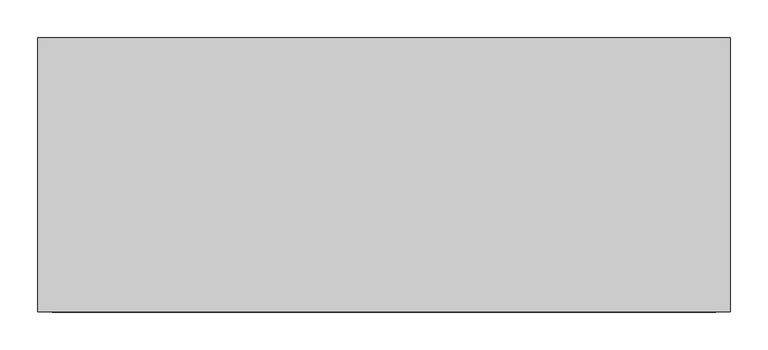
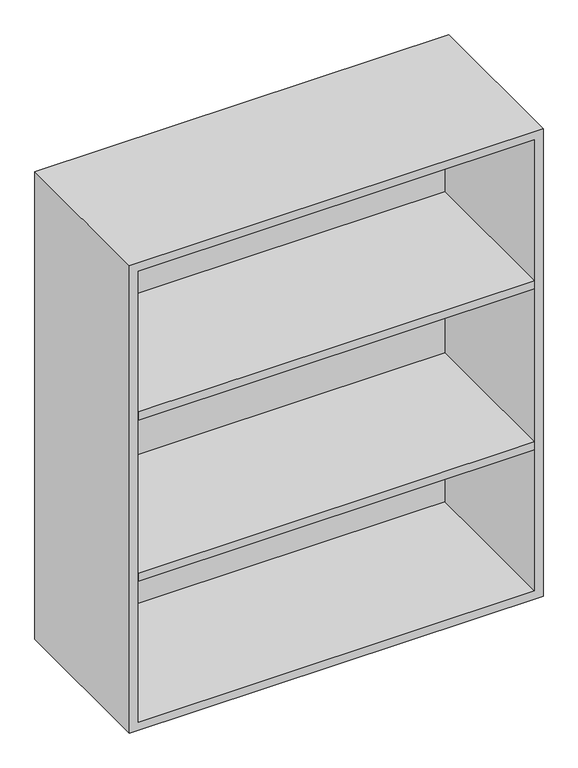
"""IFC4 building model written with IfcOpenShell, lengths in millimetres: furniture geometry."""

from ifc_helpers import new_model, si_unit, frame, origin, place, context, project, spatial, polyline, outline, extrude, source, transform, mapped, element, save


def furniture_c0636665(model_context):
    return source(origin(), model_context, "Body", "SweptSolid", [
        extrude(outline(polyline([(438.1569453, 161.925), (438.1569453, -180.975), (-438.1291641, -180.975), (-438.1291641, 161.925), (438.1569453, 161.925)])), frame((0.0, 0.0, 1461.5583333), z_axis=(0.0, 0.0, 1.0), x_axis=(1.0, 0.0, 0.0)), (0.0, 0.0, 1.0), 19.05),
        extrude(outline(polyline([(438.1569453, 161.925), (438.1569453, -180.975), (-438.1291641, -180.975), (-438.1291641, 161.925), (438.1569453, 161.925)])), frame((0.0, 0.0, 1084.7916667), z_axis=(0.0, 0.0, 1.0), x_axis=(1.0, 0.0, 0.0)), (0.0, 0.0, 1.0), 19.05),
        extrude(outline(polyline([(736.6, -457.1861094), (736.6, 457.2138906), (1828.8, 457.2138906), (1828.8, -457.1861094), (736.6, -457.1861094)]), holes=[polyline([(755.65, -438.1361094), (1809.75, -438.1361094), (1809.75, 438.1569453), (755.65, 438.1569453), (755.65, -438.1361094)])]), frame((0.0, -180.975, 0.0), z_axis=(0.0, 1.0, 0.0), x_axis=(0.0, 0.0, 1.0)), (0.0, 0.0, 1.0), 361.95),
        extrude(outline(polyline([(-438.1291641, 161.925), (-438.1291641, 180.975), (438.1569453, 180.975), (438.1569453, 161.925), (-438.1291641, 161.925)])), frame((0.0, 0.0, 755.65), z_axis=(0.0, 0.0, 1.0), x_axis=(1.0, 0.0, 0.0)), (0.0, 0.0, 1.0), 1054.1),
    ])


if __name__ == "__main__":
    model = new_model("IFC4")
    model_context = context("Model", 3, world=origin())
    ifc_project = project(units=[si_unit("LENGTHUNIT", "METRE", prefix="MILLI")], contexts=[model_context])
    site = spatial("IfcSite", under=ifc_project)
    building = spatial("IfcBuilding", under=site)
    placement = place(None, origin())
    furniture_shape = furniture_c0636665(model_context)
    element("IfcFurniture", 1, at=placement, inside=building, context=model_context, shape_type="MappedRepresentation", body=[
        mapped(furniture_shape, transform((0.0, 0.0, 0.0), x_axis=(1.0, 0.0, 0.0), y_axis=(0.0, 1.0, 0.0), z_axis=(0.0, 0.0, 1.0))),
    ])
    save(model, "model.ifc")
